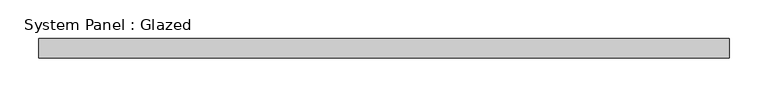
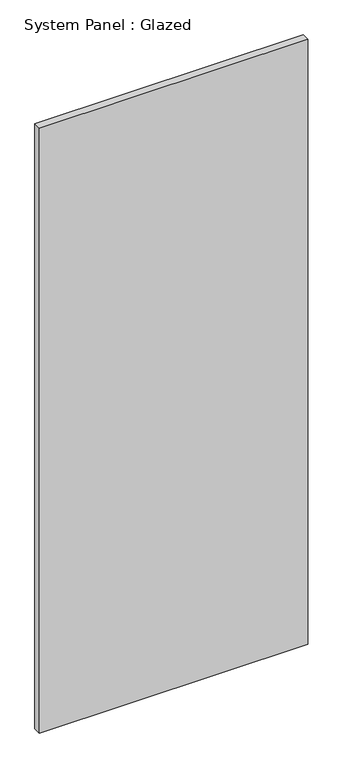
"""IFC4 building model written with IfcOpenShell, lengths in millimetres: plate geometry, System Panel : Glazed."""

from ifc_helpers import new_model, si_unit, origin, origin_with_axes, place, context, project, spatial, polyline, outline, extrude, source, transform, mapped, element, save


def system_panel_glazed_e71e8d81(model_context):
    return source(origin(), model_context, "Body", "SweptSolid", [
        extrude(outline(polyline([(447.675, -44.45), (-447.675, -44.45), (-447.675, -19.05), (447.675, -19.05), (447.675, -44.45)])), origin_with_axes(), (0.0, 0.0, 1.0), 2133.6),
    ])


if __name__ == "__main__":
    model = new_model("IFC4")
    model_context = context("Model", 3, world=origin())
    ifc_project = project(units=[si_unit("LENGTHUNIT", "METRE", prefix="MILLI")], contexts=[model_context])
    site = spatial("IfcSite", under=ifc_project)
    building = spatial("IfcBuilding", under=site)
    placement = place(None, origin())
    system_panel_glazed_shape = system_panel_glazed_e71e8d81(model_context)
    element("IfcPlate", 1, ObjectType="System Panel : Glazed", at=placement, inside=building, context=model_context, shape_type="MappedRepresentation", body=[
        mapped(system_panel_glazed_shape, transform((0.0, 0.0, 0.0), x_axis=(1.0, 0.0, 0.0), y_axis=(0.0, 1.0, 0.0), z_axis=(0.0, 0.0, 1.0))),
    ])
    save(model, "model.ifc")
